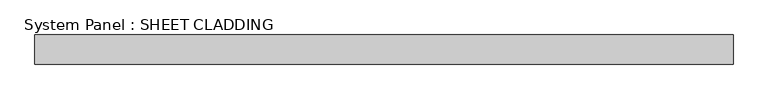
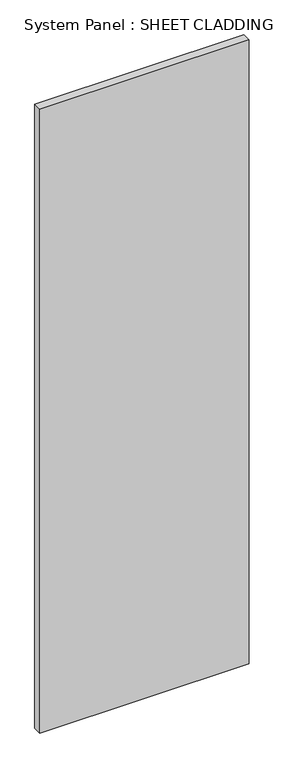
"""IFC4 building model written with IfcOpenShell, lengths in millimetres: plate geometry, System Panel : SHEET CLADDING."""

import ifcopenshell
import ifcopenshell.guid

model = None  # the IFC model being written
_history = None  # IfcOwnerHistory: only IFC2X3 demands one
_inside = {}  # id of a spatial element -> (the spatial element, [elements in it])
_under = {}  # id of a project, library or spatial element -> (it, [spatial elements below it])
_declared = {}  # id of a project -> (the project, [libraries it declares])
_typed = {}  # id of a type object -> (the type object, [elements of that type])
_made_of = {}  # id of a material, layer set ... -> (it, [elements and type objects made of it])


def new_model(schema):
    """Start an empty IFC model of exactly this schema.

    Asked for "IFC4X3", IfcOpenShell would pick the latest addendum, in which some entities
    have other attributes; the version numbers below select the first issue.
    IFC2X3 requires an IfcOwnerHistory on every rooted entity: one is made here for all.
    """
    global model, _history
    if schema == "IFC4X3":
        model = ifcopenshell.file(schema_version=(4, 3, 0, 0))
    else:
        model = ifcopenshell.file(schema=schema)
    _inside.clear()
    _under.clear()
    _declared.clear()
    _typed.clear()
    _made_of.clear()
    _history = None
    if model.schema == "IFC2X3":
        org = make("IfcOrganization", Name="unknown")
        user = make(
            "IfcPersonAndOrganization",
            ThePerson=make("IfcPerson", FamilyName="unknown"),
            TheOrganization=org,
        )
        app = make(
            "IfcApplication",
            ApplicationDeveloper=org,
            Version="unknown",
            ApplicationFullName="unknown",
            ApplicationIdentifier="unknown",
        )
        _history = make(
            "IfcOwnerHistory",
            OwningUser=user,
            OwningApplication=app,
            ChangeAction="ADDED",
            CreationDate=0,
        )
    return model


def make(cls, **values):
    """One entity of the class cls with the attributes given. An attribute that is None is left unset."""
    return model.create_entity(
        cls, **{name: value for name, value in values.items() if value is not None}
    )


def rooted(cls, **values):
    """An entity with a GlobalId (a new one), such as an element, a storey or a relation."""
    return make(cls, GlobalId=ifcopenshell.guid.new(), OwnerHistory=_history, **values)


def si_unit(unit_type, name, prefix=None):
    """IfcSIUnit, for example si_unit("LENGTHUNIT", "METRE", prefix="MILLI")."""
    return make("IfcSIUnit", UnitType=unit_type, Prefix=prefix, Name=name)


def assignment(units):
    """IfcUnitAssignment: the units of a project."""
    return None if units is None else make("IfcUnitAssignment", Units=units)


def point(xyz):
    """IfcCartesianPoint."""
    return None if xyz is None else make("IfcCartesianPoint", Coordinates=xyz)


def direction(xyz):
    """IfcDirection."""
    return None if xyz is None else make("IfcDirection", DirectionRatios=xyz)


def frame(location, z_axis=None, x_axis=None):
    """IfcAxis2Placement3D, a coordinate frame: its origin and axes. An axis left out is left unset."""
    return make(
        "IfcAxis2Placement3D",
        Location=point(location),
        Axis=direction(z_axis),
        RefDirection=direction(x_axis),
    )


def origin():
    """The frame at (0, 0, 0) with its axes left unset."""
    return frame((0.0, 0.0, 0.0))


def origin_with_axes():
    """The frame at (0, 0, 0) with the z axis (0, 0, 1) and the x axis (1, 0, 0) written out."""
    return frame((0.0, 0.0, 0.0), z_axis=(0.0, 0.0, 1.0), x_axis=(1.0, 0.0, 0.0))


def place(relative_to, where):
    """IfcLocalPlacement: puts the frame where relative to a parent placement (None: the world)."""
    return make(
        "IfcLocalPlacement", PlacementRelTo=relative_to, RelativePlacement=where
    )


def context(
    kind, dimensions, precision=None, world=None, true_north=None, identifier=None
):
    """IfcGeometricRepresentationContext, for example the 3D "Model" context."""
    return make(
        "IfcGeometricRepresentationContext",
        ContextIdentifier=identifier,
        ContextType=kind,
        CoordinateSpaceDimension=dimensions,
        Precision=precision,
        WorldCoordinateSystem=world,
        TrueNorth=true_north,
    )


def project(units=None, contexts=None):
    """IfcProject with its units and contexts."""
    return rooted(
        "IfcProject",
        Name="project",
        RepresentationContexts=contexts,
        UnitsInContext=assignment(units),
    )


def spatial(cls, under=None, at=None, **own):
    """A site, building, storey or space (cls), placed at a placement, below another one or the project."""
    s = rooted(cls, ObjectPlacement=at, **own)
    if under is not None:
        _under.setdefault(under.id(), (under, []))[1].append(s)
    return s


def polyline(points):
    """IfcPolyline through the points."""
    return make("IfcPolyline", Points=[point(p) for p in points])


def outline(outer, holes=None, kind="AREA"):
    """IfcArbitraryClosedProfileDef: a profile drawn as a closed curve; with holes, ...WithVoids."""
    if holes is None:
        return make("IfcArbitraryClosedProfileDef", ProfileType=kind, OuterCurve=outer)
    return make(
        "IfcArbitraryProfileDefWithVoids",
        ProfileType=kind,
        OuterCurve=outer,
        InnerCurves=holes,
    )


def extrude(swept, where, along, depth):
    """IfcExtrudedAreaSolid: the profile swept, set in the frame where, extruded along a direction by depth."""
    return make(
        "IfcExtrudedAreaSolid",
        SweptArea=swept,
        Position=where,
        ExtrudedDirection=direction(along),
        Depth=depth,
    )


def shape(context_of_items, identifier, shape_type, items):
    """IfcShapeRepresentation: the items that make up one representation, for example the "Body"."""
    return make(
        "IfcShapeRepresentation",
        ContextOfItems=context_of_items,
        RepresentationIdentifier=identifier,
        RepresentationType=shape_type,
        Items=items,
    )


def source(mapping_origin, context_of_items, identifier, shape_type, items):
    """IfcRepresentationMap: a shape defined once, which mapped items show again and again."""
    return make(
        "IfcRepresentationMap",
        MappingOrigin=mapping_origin,
        MappedRepresentation=shape(context_of_items, identifier, shape_type, items),
    )


def transform(
    local_origin,
    x_axis=None,
    y_axis=None,
    z_axis=None,
    scale=None,
    scale2=None,
    scale3=None,
    uniform=True,
):
    """IfcCartesianTransformationOperator3D, or its non-uniform kind. x_axis, y_axis, z_axis: its Axis1, 2, 3."""
    if uniform:
        return make(
            "IfcCartesianTransformationOperator3D",
            Axis1=direction(x_axis),
            Axis2=direction(y_axis),
            LocalOrigin=point(local_origin),
            Scale=scale,
            Axis3=direction(z_axis),
        )
    return make(
        "IfcCartesianTransformationOperator3DnonUniform",
        Axis1=direction(x_axis),
        Axis2=direction(y_axis),
        LocalOrigin=point(local_origin),
        Scale=scale,
        Axis3=direction(z_axis),
        Scale2=scale2,
        Scale3=scale3,
    )


def mapped(mapping_source, mapping_target):
    """IfcMappedItem: shows the shape of a source again, moved by a transform."""
    return make(
        "IfcMappedItem", MappingSource=mapping_source, MappingTarget=mapping_target
    )


def made_of(thing, what):
    """Note that an element or type object is made of a material, layer set ...; save() writes the relation."""
    if what is not None:
        _made_of.setdefault(what.id(), (what, []))[1].append(thing)
    return thing


def element(
    cls,
    number,
    at=None,
    inside=None,
    cuts=None,
    type_object=None,
    material=None,
    context=None,
    identifier="Body",
    shape_type=None,
    held_by="IfcProductDefinitionShape",
    body=None,
    shapes=None,
    **own,
):
    """One element of the class cls, such as IfcWall. Its Tag is "e" and its number.

    at: its placement. inside: the storey or other place that contains it. cuts: it is an
    opening in that element (IfcRelVoidsElement). A single representation is given by context,
    identifier, shape_type and body (its items); several are given by shapes. held_by: the class
    of the entity that holds the representations. save() writes the other relations.
    """
    e = rooted(cls, Tag="e%d" % number, ObjectPlacement=at, **own)
    if body is not None:
        shapes = [shape(context, identifier, shape_type, body)]
    if shapes is not None:
        e.Representation = make(held_by, Representations=shapes)
    if inside is not None:
        _inside.setdefault(inside.id(), (inside, []))[1].append(e)
    if cuts is not None:
        rooted(
            "IfcRelVoidsElement", RelatingBuildingElement=cuts, RelatedOpeningElement=e
        )
    if type_object is not None:
        _typed.setdefault(type_object.id(), (type_object, []))[1].append(e)
    return made_of(e, material)


def aggregate(whole, parts):
    """IfcRelAggregates: a whole, such as a stair, and the parts it consists of."""
    return rooted("IfcRelAggregates", RelatingObject=whole, RelatedObjects=parts)


def save(model, path):
    """Write the relations noted so far, then the file.

    IfcRelAggregates (storeys below a building ...), IfcRelContainedInSpatialStructure (elements
    in a storey), IfcRelDefinesByType, IfcRelAssociatesMaterial and IfcRelDeclares: one each for
    every whole, place, type object, material and project.
    """
    for whole, parts in _under.values():
        aggregate(whole, parts)
    for where, things in _inside.values():
        rooted(
            "IfcRelContainedInSpatialStructure",
            RelatedElements=things,
            RelatingStructure=where,
        )
    for kind, things in _typed.values():
        rooted("IfcRelDefinesByType", RelatedObjects=things, RelatingType=kind)
    for what, things in _made_of.values():
        rooted("IfcRelAssociatesMaterial", RelatedObjects=things, RelatingMaterial=what)
    for by, libraries in _declared.values():
        rooted("IfcRelDeclares", RelatingContext=by, RelatedDefinitions=libraries)
    model.write(path)


def system_panel_sheet_cladding_b947c8a9(model_context):
    return source(origin(), model_context, "Body", "SweptSolid", [
        extrude(outline(polyline([(714.2857143, -49.5), (-714.2857143, -49.5), (-714.2857143, 10.5), (714.2857143, 10.5), (714.2857143, -49.5)])), origin_with_axes(), (0.0, 0.0, 1.0), 4500.0),
    ])


if __name__ == "__main__":
    model = new_model("IFC4")
    model_context = context("Model", 3, world=origin())
    ifc_project = project(units=[si_unit("LENGTHUNIT", "METRE", prefix="MILLI")], contexts=[model_context])
    site = spatial("IfcSite", under=ifc_project)
    building = spatial("IfcBuilding", under=site)
    placement = place(None, origin())
    system_panel_sheet_cladding_shape = system_panel_sheet_cladding_b947c8a9(model_context)
    element("IfcPlate", 1, ObjectType="System Panel : SHEET CLADDING", at=placement, inside=building, context=model_context, shape_type="MappedRepresentation", body=[
        mapped(system_panel_sheet_cladding_shape, transform((0.0, 0.0, 0.0), x_axis=(1.0, 0.0, 0.0), y_axis=(0.0, 1.0, 0.0), z_axis=(0.0, 0.0, 1.0))),
    ])
    save(model, "model.ifc")
